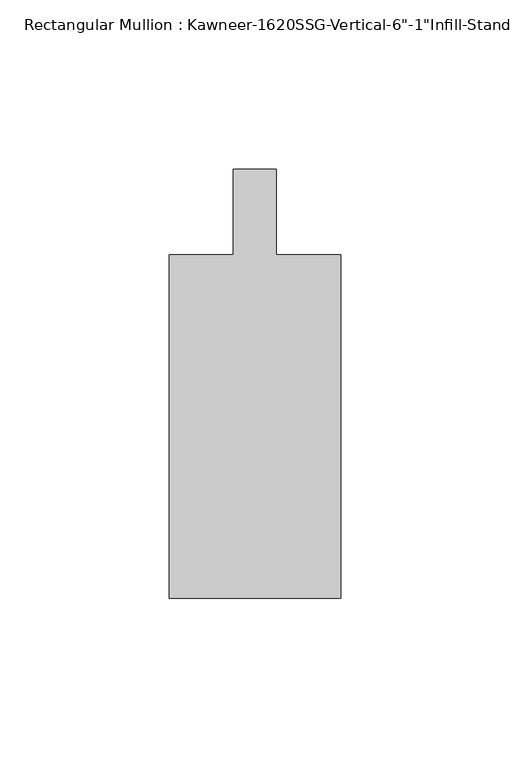
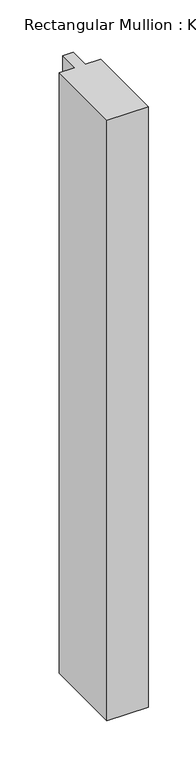
"""IFC4 building model written with IfcOpenShell, lengths in millimetres: member geometry."""

from ifc_helpers import new_model, si_unit, frame, origin, place, context, project, spatial, polyline, outline, extrude, source, transform, mapped, element, save


def member_cc4b3316(model_context):
    return source(origin(), model_context, "Body", "SweptSolid", [
        extrude(outline(polyline([(25.4, -114.3), (-25.4, -114.3), (-25.4, -12.7), (-6.35, -12.7), (-6.35, 12.7), (6.35, 12.7), (6.35, -12.7), (25.4, -12.7), (25.4, -114.3)])), frame((0.0, 0.0, -777.875), z_axis=(0.0, 0.0, 1.0), x_axis=(1.0, 0.0, 0.0)), (0.0, 0.0, 1.0), 777.875),
    ])


if __name__ == "__main__":
    model = new_model("IFC4")
    model_context = context("Model", 3, world=origin())
    ifc_project = project(units=[si_unit("LENGTHUNIT", "METRE", prefix="MILLI")], contexts=[model_context])
    site = spatial("IfcSite", under=ifc_project)
    building = spatial("IfcBuilding", under=site)
    placement = place(None, origin())
    member_shape = member_cc4b3316(model_context)
    element("IfcMember", 1, ObjectType="Rectangular Mullion : Kawneer-1620SSG-Vertical-6\"-1\"Infill-Standard", at=placement, inside=building, context=model_context, shape_type="MappedRepresentation", body=[
        mapped(member_shape, transform((0.0, 0.0, 0.0), x_axis=(1.0, 0.0, 0.0), y_axis=(0.0, 1.0, 0.0), z_axis=(0.0, 0.0, 1.0))),
    ])
    save(model, "model.ifc")
